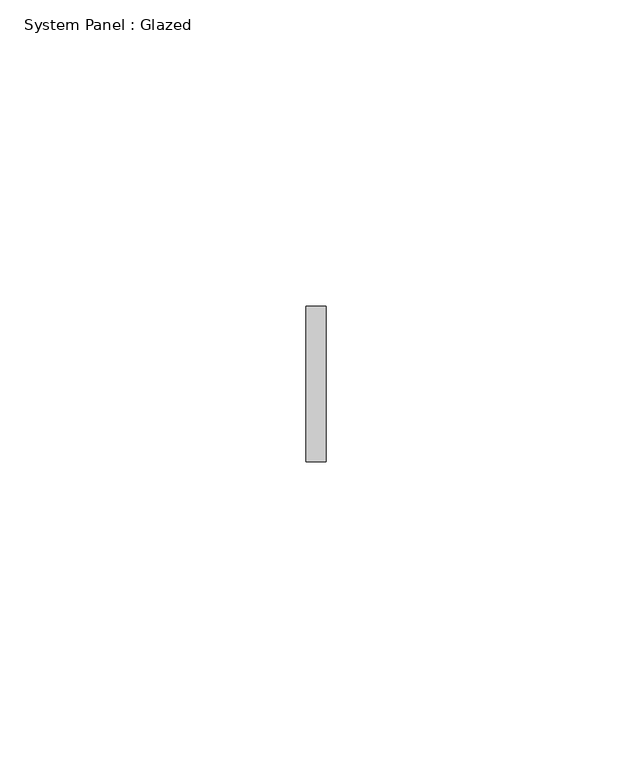
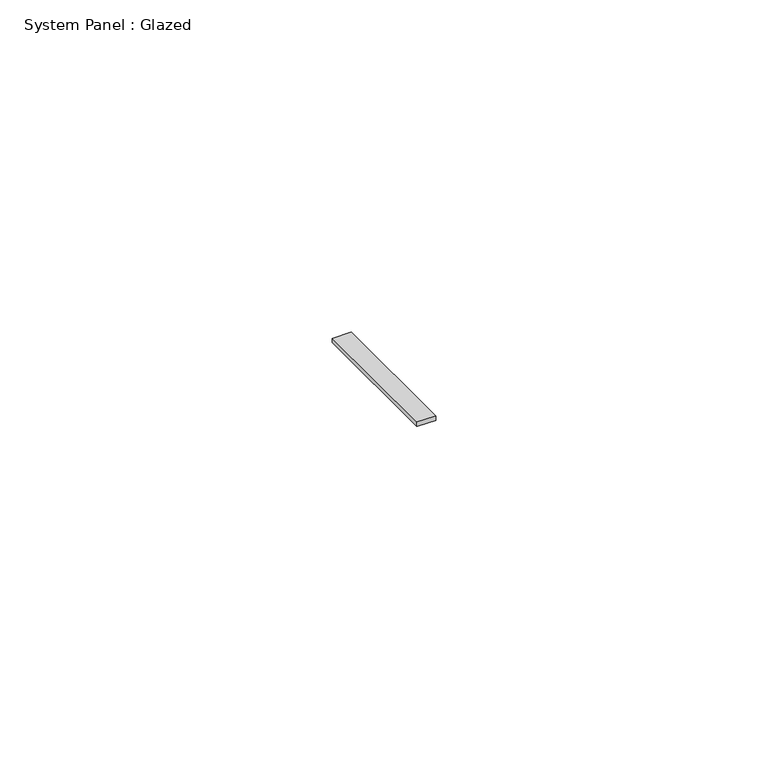
"""IFC4 building model written with IfcOpenShell, lengths in millimetres: plate geometry, System Panel : Glazed."""

from ifc_helpers import new_model, si_unit, origin, origin_with_axes, place, context, project, spatial, polyline, outline, extrude, source, transform, mapped, element, save


def system_panel_glazed_28835dff(model_context):
    return source(origin(), model_context, "Body", "SweptSolid", [
        extrude(outline(polyline([(1.6339344, 19.05), (-1.6339344, 19.05), (-1.6339344, 44.45), (1.6339344, 44.45), (1.6339344, 19.05)])), origin_with_axes(), (0.0, 0.0, 1.0), 0.79375),
    ])


if __name__ == "__main__":
    model = new_model("IFC4")
    model_context = context("Model", 3, world=origin())
    ifc_project = project(units=[si_unit("LENGTHUNIT", "METRE", prefix="MILLI")], contexts=[model_context])
    site = spatial("IfcSite", under=ifc_project)
    building = spatial("IfcBuilding", under=site)
    placement = place(None, origin())
    system_panel_glazed_shape = system_panel_glazed_28835dff(model_context)
    element("IfcPlate", 1, ObjectType="System Panel : Glazed", at=placement, inside=building, context=model_context, shape_type="MappedRepresentation", body=[
        mapped(system_panel_glazed_shape, transform((0.0, 0.0, 0.0), x_axis=(1.0, 0.0, 0.0), y_axis=(0.0, 1.0, 0.0), z_axis=(0.0, 0.0, 1.0))),
    ])
    save(model, "model.ifc")
